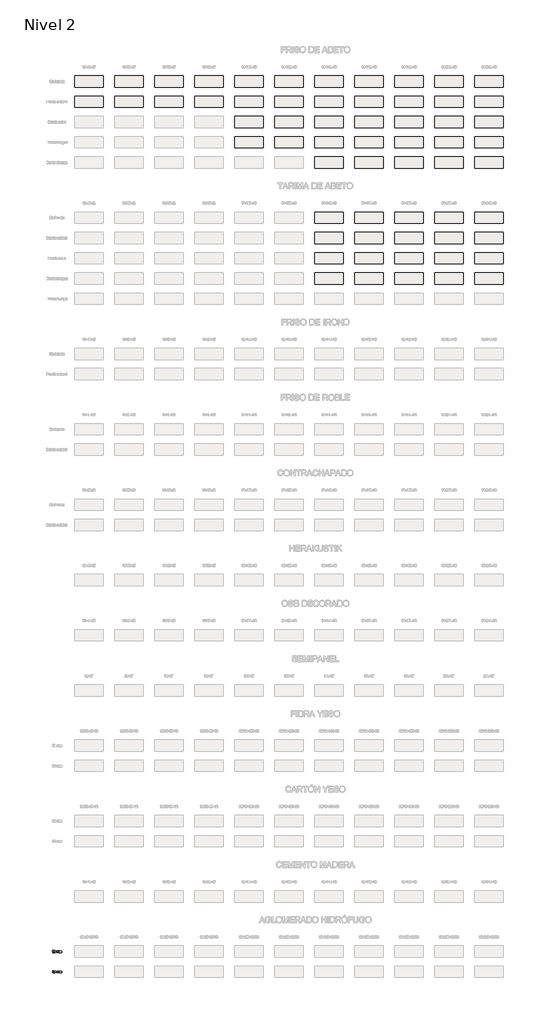
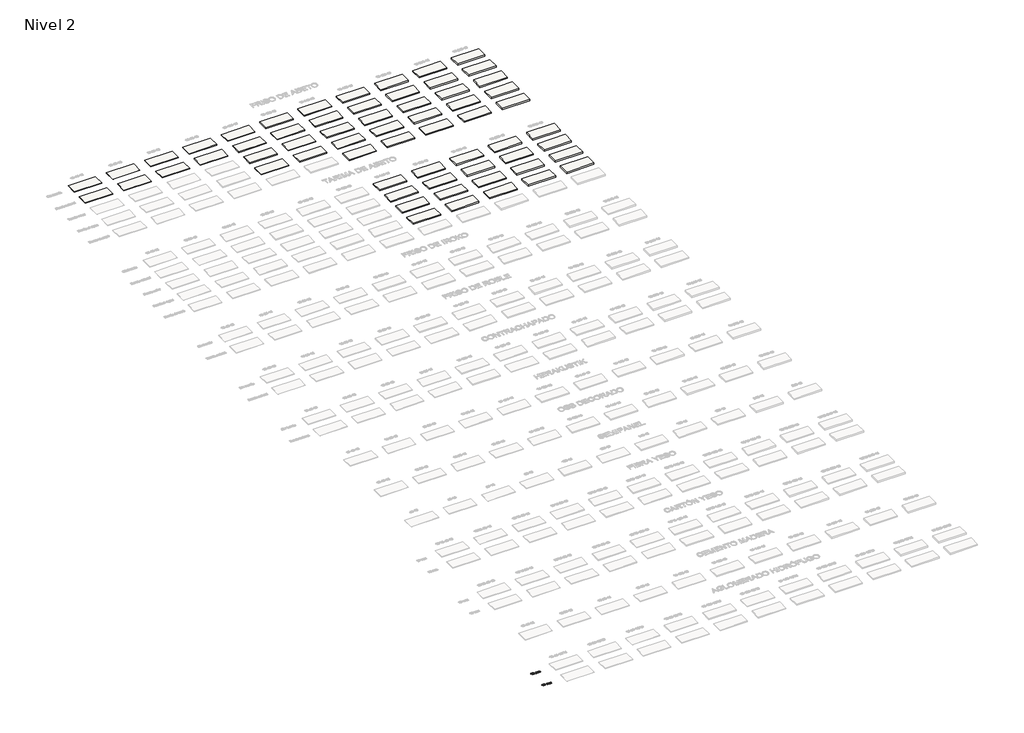
# One storey, part 3 of 51: 61 roofs, 2 proxies.
"""IFC4 building model written with IfcOpenShell, lengths in millimetres."""

from ifc_helpers import new_model, si_unit, frame, origin, place, context, project, spatial, polyline, outline, extrude, element, save

model = new_model("IFC4")

# Units and contexts
model_context = context("Model", 3, world=origin())
ifc_project = project(units=[si_unit("LENGTHUNIT", "METRE", prefix="MILLI")], contexts=[model_context])

# Site, building, storey
site = spatial("IfcSite", under=ifc_project)
building = spatial("IfcBuilding", under=site)
storey = spatial("IfcBuildingStorey", under=building, Name="Nivel 2", Elevation=3000.0)

# Proxies
placement = place(None, origin())
element("IfcBuildingElementProxy", 1, Name="Texto de modelo 1", ObjectType="Texto de modelo 1", at=placement, inside=storey, context=model_context, shape_type="SweptSolid", body=[
    extrude(outline(polyline([(-13715.0343234, -145288.9702671), (-13765.2624785, -145288.9702671), (-13765.2624785, -144975.8291128), (-13786.2317522, -144992.7884728), (-13812.8418832, -145009.7233073), (-13865.7187886, -145035.0826395), (-13865.7187886, -144987.6013367), (-13826.269576, -144966.1415536), (-13792.0933386, -144940.6105432), (-13765.1521139, -144913.4608519), (-13747.407939, -144887.1450265), (-13715.0343234, -144887.1450265), (-13715.0343234, -145288.9702671)])), frame((0.0, 0.0, 3000.0), z_axis=(0.0, 0.0, 1.0), x_axis=(1.0, 0.0, 0.0)), (0.0, 0.0, 1.0), 10.0),
    extrude(outline(polyline([(-13589.4639357, -145188.513957), (-13539.2357806, -145182.2354376), (-13530.6518674, -145210.7462922), (-13516.6723516, -145230.1581988), (-13497.6405897, -145241.3050233), (-13473.8999383, -145245.0206314), (-13452.5995708, -145242.6293985), (-13433.2367151, -145235.4556996), (-13417.1480092, -145224.2843497), (-13405.6700909, -145209.9001636), (-13389.2380285, -145166.2448335), (-13383.7933749, -145137.8443435), (-13381.9784904, -145107.9723255), (-13382.272796, -145098.162139), (-13399.6736144, -145119.4011928), (-13422.4455099, -145136.2256627), (-13448.9452763, -145147.1885462), (-13477.5297073, -145150.8428407), (-13501.3899204, -145148.6110232), (-13523.3310157, -145141.9155709), (-13543.3529933, -145130.7564837), (-13561.4558531, -145115.1337617), (-13576.4562415, -145095.8628765), (-13587.1708046, -145073.7593), (-13593.5995425, -145048.8230321), (-13595.7424551, -145021.0540728), (-13593.4953092, -144992.3592772), (-13586.7538717, -144966.6075375), (-13575.5181424, -144943.7988538), (-13559.7881214, -144923.9332261), (-13540.6735861, -144907.8383888), (-13519.2843138, -144896.3420764), (-13495.6203044, -144889.444289), (-13469.6815581, -144887.1450265), (-13432.2189082, -144892.3934763), (-13398.1162473, -144908.1388257), (-13369.5931299, -144933.5962598), (-13348.8691109, -144967.9809636), (-13336.2507584, -145015.5113174), (-13332.0446409, -145080.4057013), (-13336.2384957, -145149.2118972), (-13348.8200599, -145202.3953709), (-13369.6789691, -145242.3596183), (-13383.1710412, -145258.2858431), (-13398.7048585, -145271.5081351), (-13415.9677211, -145281.8946701), (-13434.6469294, -145289.3136237), (-13476.2543831, -145295.2487865), (-13498.8116807, -145293.4982814), (-13519.1984746, -145288.2467659), (-13537.4147648, -145279.4942401), (-13553.4605511, -145267.240704), (-13566.9311635, -145251.8172513), (-13577.4219317, -145233.5549759), (-13584.9328558, -145212.4538778), (-13589.4639357, -145188.513957)]), holes=[polyline([(-13382.272796, -145019.8768504), (-13387.6929241, -144985.8355031), (-13394.4680842, -144971.7578854), (-13403.9533083, -144959.6423051), (-13415.6826125, -144949.8995636), (-13429.1900131, -144942.9404625), (-13461.5391032, -144937.3731816), (-13479.1483881, -144938.8723007), (-13495.0899412, -144943.3696581), (-13509.3637626, -144950.8652538), (-13521.9698523, -144961.3590877), (-13532.2705482, -144974.2380232), (-13539.6281881, -144988.8889237), (-13544.042772, -145005.3117891), (-13545.5143, -145023.5066194), (-13539.9470192, -145054.5435971), (-13532.9879181, -145067.6616559), (-13523.2451766, -145079.179428), (-13511.1234648, -145088.5573532), (-13497.027453, -145095.2558712), (-13462.9125294, -145100.6146856), (-13430.8209566, -145095.2558712), (-13404.9833779, -145079.179428), (-13395.0474983, -145067.4347953), (-13387.9504415, -145053.6361548), (-13382.272796, -145019.8768504)])]), frame((0.0, 0.0, 3000.0), z_axis=(0.0, 0.0, 1.0), x_axis=(1.0, 0.0, 0.0)), (0.0, 0.0, 1.0), 10.0),
    extrude(outline(polyline([(-13118.5749819, -145288.9702671), (-13118.5749819, -144993.8798561), (-13068.3468268, -144993.8798561), (-13068.3468268, -145042.4402794), (-13053.2391395, -145020.1343678), (-13033.8149702, -145002.659973), (-13010.7365064, -144991.3659958), (-12984.6659356, -144987.6013367), (-12956.7314295, -144991.4395722), (-12934.3396787, -145002.9542786), (-12917.6133106, -145021.3851666), (-12906.6749527, -145045.9719466), (-12888.366692, -145020.4348048), (-12867.4832574, -145002.1939892), (-12844.0246489, -144991.2494998), (-12817.9908664, -144987.6013367), (-12797.8830496, -144989.1188499), (-12780.2339109, -144993.6713896), (-12765.0434502, -145001.2589558), (-12752.3116675, -145011.8815484), (-12742.2470292, -145025.6617948), (-12735.0580019, -145042.7223223), (-12730.7445855, -145063.0631309), (-12729.30678, -145086.6842207), (-12729.30678, -145288.9702671), (-12779.5349351, -145288.9702671), (-12779.5349351, -145108.2666311), (-12780.6998948, -145083.2138672), (-12784.1947737, -145066.3280837), (-12790.7430732, -145054.7643263), (-12801.0682946, -145045.677641), (-12814.3488346, -145039.7915291), (-12829.7630902, -145037.8294918), (-12856.9740951, -145042.8572124), (-12879.1573794, -145057.9403742), (-12887.7627524, -145069.5102629), (-12893.9094474, -145084.1090468), (-12898.8268034, -145122.3932997), (-12898.8268034, -145288.9702671), (-12949.0549585, -145288.9702671), (-12949.0549585, -145102.6748248), (-12951.9612263, -145074.2743348), (-12960.6800295, -145054.0162996), (-12976.0207087, -145041.8761937), (-12998.7926042, -145037.8294918), (-13018.1431972, -145040.5272931), (-13035.9732112, -145048.620697), (-13050.688491, -145061.9134997), (-13060.6948813, -145080.2094976), (-13066.4338404, -145105.5933553), (-13068.3468268, -145140.1497374), (-13068.3468268, -145288.9702671), (-13118.5749819, -145288.9702671)])), frame((0.0, 0.0, 3000.0), z_axis=(0.0, 0.0, 1.0), x_axis=(1.0, 0.0, 0.0)), (0.0, 0.0, 1.0), 10.0),
    extrude(outline(polyline([(-12653.9645474, -145288.9702671), (-12653.9645474, -144993.8798561), (-12603.7363924, -144993.8798561), (-12603.7363924, -145042.4402794), (-12588.6287051, -145020.1343678), (-12569.2045357, -145002.659973), (-12546.1260719, -144991.3659958), (-12520.0555012, -144987.6013367), (-12492.120995, -144991.4395722), (-12469.7292443, -145002.9542786), (-12453.0028762, -145021.3851666), (-12442.0645182, -145045.9719466), (-12423.7562576, -145020.4348048), (-12402.872823, -145002.1939892), (-12379.4142144, -144991.2494998), (-12353.3804319, -144987.6013367), (-12333.2726152, -144989.1188499), (-12315.6234765, -144993.6713896), (-12300.4330158, -145001.2589558), (-12287.701233, -145011.8815484), (-12277.6365948, -145025.6617948), (-12270.4475675, -145042.7223223), (-12266.1341511, -145063.0631309), (-12264.6963456, -145086.6842207), (-12264.6963456, -145288.9702671), (-12314.9245007, -145288.9702671), (-12314.9245007, -145108.2666311), (-12316.0894603, -145083.2138672), (-12319.5843393, -145066.3280837), (-12326.1326388, -145054.7643263), (-12336.4578601, -145045.677641), (-12349.7384002, -145039.7915291), (-12365.1526558, -145037.8294918), (-12392.3636607, -145042.8572124), (-12414.546945, -145057.9403742), (-12423.152318, -145069.5102629), (-12429.299013, -145084.1090468), (-12434.216369, -145122.3932997), (-12434.216369, -145288.9702671), (-12484.4445241, -145288.9702671), (-12484.4445241, -145102.6748248), (-12487.3507918, -145074.2743348), (-12496.0695951, -145054.0162996), (-12511.4102743, -145041.8761937), (-12534.1821698, -145037.8294918), (-12553.5327628, -145040.5272931), (-12571.3627768, -145048.620697), (-12586.0780566, -145061.9134997), (-12596.0844469, -145080.2094976), (-12601.823406, -145105.5933553), (-12603.7363924, -145140.1497374), (-12603.7363924, -145288.9702671), (-12653.9645474, -145288.9702671)])), frame((0.0, 0.0, 3000.0), z_axis=(0.0, 0.0, 1.0), x_axis=(1.0, 0.0, 0.0)), (0.0, 0.0, 1.0), 10.0),
])
element("IfcBuildingElementProxy", 2, Name="Texto de modelo 1", ObjectType="Texto de modelo 1", at=placement, inside=storey, context=model_context, shape_type="SweptSolid", body=[
    extrude(outline(polyline([(-13715.0343234, -141888.9702671), (-13765.2624785, -141888.9702671), (-13765.2624785, -141575.8291128), (-13786.2317522, -141592.7884728), (-13812.8418832, -141609.7233073), (-13865.7187886, -141635.0826395), (-13865.7187886, -141587.6013367), (-13826.269576, -141566.1415536), (-13792.0933386, -141540.6105432), (-13765.1521139, -141513.4608519), (-13747.407939, -141487.1450265), (-13715.0343234, -141487.1450265), (-13715.0343234, -141888.9702671)])), frame((0.0, 0.0, 3000.0), z_axis=(0.0, 0.0, 1.0), x_axis=(1.0, 0.0, 0.0)), (0.0, 0.0, 1.0), 10.0),
    extrude(outline(polyline([(-13338.3231603, -141593.8798561), (-13388.5513154, -141600.1583755), (-13396.6447193, -141575.2650271), (-13407.5830773, -141558.2688789), (-13430.3672355, -141542.5971059), (-13457.9093342, -141537.3731816), (-13481.2575782, -141540.4143394), (-13503.232396, -141549.5378129), (-13522.1047424, -141568.7535158), (-13537.518998, -141595.2042313), (-13547.9300584, -141632.6178302), (-13551.7928194, -141684.7221834), (-13531.6451488, -141661.2145239), (-13507.4998272, -141644.6475714), (-13480.7057552, -141634.8251221), (-13452.6118335, -141631.5509724), (-13428.4787746, -141633.7889212), (-13406.2096512, -141640.5027676), (-13385.8044632, -141651.6925116), (-13367.2632106, -141667.3581532), (-13351.8550864, -141686.5677248), (-13340.8492834, -141708.3892584), (-13334.2458015, -141732.8227543), (-13332.0446409, -141759.8682123), (-13336.1894448, -141795.8348087), (-13348.6238562, -141829.1771802), (-13368.3178057, -141857.4550429), (-13394.2412236, -141878.2281129), (-13425.2168876, -141890.9936181), (-13460.0675753, -141895.2487865), (-13490.010104, -141892.4283579), (-13517.0524963, -141883.967072), (-13541.1947523, -141869.8649289), (-13562.4368718, -141850.1219284), (-13579.7549167, -141823.9042049), (-13592.1249488, -141790.3778924), (-13599.5469681, -141749.542991), (-13602.0209745, -141701.3995005), (-13599.2741222, -141647.4250805), (-13591.0335655, -141601.3601233), (-13577.2993044, -141563.204629), (-13558.0713388, -141532.9585977), (-13537.2308238, -141512.9151603), (-13513.067108, -141498.5984193), (-13485.5801916, -141490.0083747), (-13454.7700745, -141487.1450265), (-13431.6364284, -141488.9169915), (-13410.6978115, -141494.2328863), (-13391.9542239, -141503.092711), (-13375.4056654, -141515.4964656), (-13361.499726, -141531.0272172), (-13350.6839954, -141549.2680328), (-13342.9584735, -141570.2189124), (-13338.3231603, -141593.8798561)]), holes=[polyline([(-13551.7928194, -141759.0833974), (-13548.8865516, -141781.3402581), (-13540.1677483, -141802.5915747), (-13526.6296909, -141820.8630471), (-13509.2656608, -141834.1803753), (-13488.3086498, -141842.3105674), (-13463.9916499, -141845.0206314), (-13430.8454821, -141839.4042997), (-13416.9303456, -141832.3838849), (-13404.7871741, -141822.5553043), (-13394.9371337, -141810.3170966), (-13387.9013905, -141796.0678006), (-13382.272796, -141761.535944), (-13387.8278141, -141728.3897762), (-13394.7715868, -141714.7689454), (-13404.4928685, -141703.1162832), (-13416.6728283, -141693.7812775), (-13430.9926349, -141687.1134164), (-13466.0517891, -141681.7791275), (-13499.1489059, -141687.1134164), (-13526.8258947, -141703.1162832), (-13537.7489242, -141714.6156612), (-13545.5510882, -141727.7766396), (-13550.2323866, -141742.5992183), (-13551.7928194, -141759.0833974)])]), frame((0.0, 0.0, 3000.0), z_axis=(0.0, 0.0, 1.0), x_axis=(1.0, 0.0, 0.0)), (0.0, 0.0, 1.0), 10.0),
    extrude(outline(polyline([(-13118.5749819, -141888.9702671), (-13118.5749819, -141593.8798561), (-13068.3468268, -141593.8798561), (-13068.3468268, -141642.4402794), (-13053.2391395, -141620.1343678), (-13033.8149702, -141602.659973), (-13010.7365064, -141591.3659958), (-12984.6659356, -141587.6013367), (-12956.7314295, -141591.4395722), (-12934.3396787, -141602.9542786), (-12917.6133106, -141621.3851666), (-12906.6749527, -141645.9719466), (-12888.366692, -141620.4348048), (-12867.4832574, -141602.1939892), (-12844.0246489, -141591.2494998), (-12817.9908664, -141587.6013367), (-12797.8830496, -141589.1188499), (-12780.2339109, -141593.6713896), (-12765.0434502, -141601.2589558), (-12752.3116675, -141611.8815484), (-12742.2470292, -141625.6617948), (-12735.0580019, -141642.7223223), (-12730.7445855, -141663.0631309), (-12729.30678, -141686.6842207), (-12729.30678, -141888.9702671), (-12779.5349351, -141888.9702671), (-12779.5349351, -141708.2666311), (-12780.6998948, -141683.2138672), (-12784.1947737, -141666.3280837), (-12790.7430732, -141654.7643263), (-12801.0682946, -141645.677641), (-12814.3488346, -141639.7915291), (-12829.7630902, -141637.8294918), (-12856.9740951, -141642.8572124), (-12879.1573794, -141657.9403742), (-12887.7627524, -141669.5102629), (-12893.9094474, -141684.1090468), (-12898.8268034, -141722.3932997), (-12898.8268034, -141888.9702671), (-12949.0549585, -141888.9702671), (-12949.0549585, -141702.6748248), (-12951.9612263, -141674.2743348), (-12960.6800295, -141654.0162996), (-12976.0207087, -141641.8761937), (-12998.7926042, -141637.8294918), (-13018.1431972, -141640.5272931), (-13035.9732112, -141648.620697), (-13050.688491, -141661.9134997), (-13060.6948813, -141680.2094976), (-13066.4338404, -141705.5933553), (-13068.3468268, -141740.1497374), (-13068.3468268, -141888.9702671), (-13118.5749819, -141888.9702671)])), frame((0.0, 0.0, 3000.0), z_axis=(0.0, 0.0, 1.0), x_axis=(1.0, 0.0, 0.0)), (0.0, 0.0, 1.0), 10.0),
    extrude(outline(polyline([(-12653.9645474, -141888.9702671), (-12653.9645474, -141593.8798561), (-12603.7363924, -141593.8798561), (-12603.7363924, -141642.4402794), (-12588.6287051, -141620.1343678), (-12569.2045357, -141602.659973), (-12546.1260719, -141591.3659958), (-12520.0555012, -141587.6013367), (-12492.120995, -141591.4395722), (-12469.7292442, -141602.9542786), (-12453.0028762, -141621.3851666), (-12442.0645182, -141645.9719466), (-12423.7562576, -141620.4348048), (-12402.872823, -141602.1939892), (-12379.4142144, -141591.2494998), (-12353.3804319, -141587.6013367), (-12333.2726152, -141589.1188499), (-12315.6234765, -141593.6713896), (-12300.4330158, -141601.2589558), (-12287.701233, -141611.8815484), (-12277.6365948, -141625.6617948), (-12270.4475675, -141642.7223223), (-12266.1341511, -141663.0631309), (-12264.6963456, -141686.6842207), (-12264.6963456, -141888.9702671), (-12314.9245007, -141888.9702671), (-12314.9245007, -141708.2666311), (-12316.0894603, -141683.2138672), (-12319.5843393, -141666.3280837), (-12326.1326388, -141654.7643263), (-12336.4578601, -141645.677641), (-12349.7384002, -141639.7915291), (-12365.1526558, -141637.8294918), (-12392.3636607, -141642.8572124), (-12414.546945, -141657.9403742), (-12423.152318, -141669.5102629), (-12429.299013, -141684.1090468), (-12434.216369, -141722.3932997), (-12434.216369, -141888.9702671), (-12484.4445241, -141888.9702671), (-12484.4445241, -141702.6748248), (-12487.3507918, -141674.2743348), (-12496.0695951, -141654.0162996), (-12511.4102743, -141641.8761937), (-12534.1821698, -141637.8294918), (-12553.5327628, -141640.5272931), (-12571.3627768, -141648.620697), (-12586.0780566, -141661.9134997), (-12596.0844469, -141680.2094976), (-12601.823406, -141705.5933553), (-12603.7363924, -141740.1497374), (-12603.7363924, -141888.9702671), (-12653.9645474, -141888.9702671)])), frame((0.0, 0.0, 3000.0), z_axis=(0.0, 0.0, 1.0), x_axis=(1.0, 0.0, 0.0)), (0.0, 0.0, 1.0), 10.0),
])

# Roofs
element("IfcRoof", 3, at=placement, inside=storey, context=model_context, shape_type="SweptSolid", body=[
    extrude(outline(polyline([(-5297.2931389, 5319.2174648), (-5297.2931389, 3419.2174648), (-10097.2931389, 3419.2174648), (-10097.2931389, 5319.2174648), (-5297.2931389, 5319.2174648)])), frame((0.0, 0.0, 3000.0), z_axis=(0.0, 0.0, 1.0), x_axis=(1.0, 0.0, 0.0)), (0.0, 0.0, 1.0), 66.0),
])
element("IfcRoof", 4, at=placement, inside=storey, context=model_context, shape_type="SweptSolid", body=[
    extrude(outline(polyline([(-5297.2931389, 1919.2174648), (-5297.2931389, 19.2174648), (-10097.2931389, 19.2174648), (-10097.2931389, 1919.2174648), (-5297.2931389, 1919.2174648)])), frame((0.0, 0.0, 3000.0), z_axis=(0.0, 0.0, 1.0), x_axis=(1.0, 0.0, 0.0)), (0.0, 0.0, 1.0), 66.0),
])
element("IfcRoof", 5, at=placement, inside=storey, context=model_context, shape_type="SweptSolid", body=[
    extrude(outline(polyline([(1417.6473959, 5319.2174648), (1417.6473959, 3419.2174648), (-3382.3526041, 3419.2174648), (-3382.3526041, 5319.2174648), (1417.6473959, 5319.2174648)])), frame((0.0, 0.0, 3000.0), z_axis=(0.0, 0.0, 1.0), x_axis=(1.0, 0.0, 0.0)), (0.0, 0.0, 1.0), 76.0),
])
element("IfcRoof", 6, at=placement, inside=storey, context=model_context, shape_type="SweptSolid", body=[
    extrude(outline(polyline([(8132.5879307, 5319.2174648), (8132.5879307, 3419.2174648), (3332.5879307, 3419.2174648), (3332.5879307, 5319.2174648), (8132.5879307, 5319.2174648)])), frame((0.0, 0.0, 3000.0), z_axis=(0.0, 0.0, 1.0), x_axis=(1.0, 0.0, 0.0)), (0.0, 0.0, 1.0), 86.0),
])
element("IfcRoof", 7, at=placement, inside=storey, context=model_context, shape_type="SweptSolid", body=[
    extrude(outline(polyline([(14847.5284656, 5319.2174648), (14847.5284656, 3419.2174648), (10047.5284656, 3419.2174648), (10047.5284656, 5319.2174648), (14847.5284656, 5319.2174648)])), frame((0.0, 0.0, 3000.0), z_axis=(0.0, 0.0, 1.0), x_axis=(1.0, 0.0, 0.0)), (0.0, 0.0, 1.0), 106.0),
])
element("IfcRoof", 8, at=placement, inside=storey, context=model_context, shape_type="SweptSolid", body=[
    extrude(outline(polyline([(21562.4690004, 5319.2174648), (21562.4690004, 3419.2174648), (16762.4690004, 3419.2174648), (16762.4690004, 5319.2174648), (21562.4690004, 5319.2174648)])), frame((0.0, 0.0, 3000.0), z_axis=(0.0, 0.0, 1.0), x_axis=(1.0, 0.0, 0.0)), (0.0, 0.0, 1.0), 126.0),
])
element("IfcRoof", 9, at=placement, inside=storey, context=model_context, shape_type="SweptSolid", body=[
    extrude(outline(polyline([(28277.4095352, 5319.2174648), (28277.4095352, 3419.2174648), (23477.4095352, 3419.2174648), (23477.4095352, 5319.2174648), (28277.4095352, 5319.2174648)])), frame((0.0, 0.0, 3000.0), z_axis=(0.0, 0.0, 1.0), x_axis=(1.0, 0.0, 0.0)), (0.0, 0.0, 1.0), 146.0),
])
element("IfcRoof", 10, at=placement, inside=storey, context=model_context, shape_type="SweptSolid", body=[
    extrude(outline(polyline([(34992.35007, 5319.2174648), (34992.35007, 3419.2174648), (30192.35007, 3419.2174648), (30192.35007, 5319.2174648), (34992.35007, 5319.2174648)])), frame((0.0, 0.0, 3000.0), z_axis=(0.0, 0.0, 1.0), x_axis=(1.0, 0.0, 0.0)), (0.0, 0.0, 1.0), 166.0),
])
element("IfcRoof", 11, at=placement, inside=storey, context=model_context, shape_type="SweptSolid", body=[
    extrude(outline(polyline([(41707.2906049, 5319.2174648), (41707.2906049, 3419.2174648), (36907.2906049, 3419.2174648), (36907.2906049, 5319.2174648), (41707.2906049, 5319.2174648)])), frame((0.0, 0.0, 3000.0), z_axis=(0.0, 0.0, 1.0), x_axis=(1.0, 0.0, 0.0)), (0.0, 0.0, 1.0), 186.0),
])
element("IfcRoof", 12, at=placement, inside=storey, context=model_context, shape_type="SweptSolid", body=[
    extrude(outline(polyline([(48422.2311397, 5319.2174648), (48422.2311397, 3419.2174648), (43622.2311397, 3419.2174648), (43622.2311397, 5319.2174648), (48422.2311397, 5319.2174648)])), frame((0.0, 0.0, 3000.0), z_axis=(0.0, 0.0, 1.0), x_axis=(1.0, 0.0, 0.0)), (0.0, 0.0, 1.0), 206.0),
])
element("IfcRoof", 13, at=placement, inside=storey, context=model_context, shape_type="SweptSolid", body=[
    extrude(outline(polyline([(55137.1716745, 5319.2174648), (55137.1716745, 3419.2174648), (50337.1716745, 3419.2174648), (50337.1716745, 5319.2174648), (55137.1716745, 5319.2174648)])), frame((0.0, 0.0, 3000.0), z_axis=(0.0, 0.0, 1.0), x_axis=(1.0, 0.0, 0.0)), (0.0, 0.0, 1.0), 226.0),
])
element("IfcRoof", 14, at=placement, inside=storey, context=model_context, shape_type="SweptSolid", body=[
    extrude(outline(polyline([(61852.1122093, 5319.2174648), (61852.1122093, 3419.2174648), (57052.1122093, 3419.2174648), (57052.1122093, 5319.2174648), (61852.1122093, 5319.2174648)])), frame((0.0, 0.0, 3000.0), z_axis=(0.0, 0.0, 1.0), x_axis=(1.0, 0.0, 0.0)), (0.0, 0.0, 1.0), 266.0),
])
element("IfcRoof", 15, at=placement, inside=storey, context=model_context, shape_type="SweptSolid", body=[
    extrude(outline(polyline([(1417.6473959, 1919.2174648), (1417.6473959, 19.2174648), (-3382.3526041, 19.2174648), (-3382.3526041, 1919.2174648), (1417.6473959, 1919.2174648)])), frame((0.0, 0.0, 3000.0), z_axis=(0.0, 0.0, 1.0), x_axis=(1.0, 0.0, 0.0)), (0.0, 0.0, 1.0), 76.0),
])
element("IfcRoof", 16, at=placement, inside=storey, context=model_context, shape_type="SweptSolid", body=[
    extrude(outline(polyline([(8132.5879307, 1919.2174648), (8132.5879307, 19.2174648), (3332.5879307, 19.2174648), (3332.5879307, 1919.2174648), (8132.5879307, 1919.2174648)])), frame((0.0, 0.0, 3000.0), z_axis=(0.0, 0.0, 1.0), x_axis=(1.0, 0.0, 0.0)), (0.0, 0.0, 1.0), 86.0),
])
element("IfcRoof", 17, at=placement, inside=storey, context=model_context, shape_type="SweptSolid", body=[
    extrude(outline(polyline([(14847.5284656, 1919.2174648), (14847.5284656, 19.2174648), (10047.5284656, 19.2174648), (10047.5284656, 1919.2174648), (14847.5284656, 1919.2174648)])), frame((0.0, 0.0, 3000.0), z_axis=(0.0, 0.0, 1.0), x_axis=(1.0, 0.0, 0.0)), (0.0, 0.0, 1.0), 106.0),
])
element("IfcRoof", 18, at=placement, inside=storey, context=model_context, shape_type="SweptSolid", body=[
    extrude(outline(polyline([(21562.4690004, 1919.2174648), (21562.4690004, 19.2174648), (16762.4690004, 19.2174648), (16762.4690004, 1919.2174648), (21562.4690004, 1919.2174648)])), frame((0.0, 0.0, 3000.0), z_axis=(0.0, 0.0, 1.0), x_axis=(1.0, 0.0, 0.0)), (0.0, 0.0, 1.0), 126.0),
])
element("IfcRoof", 19, at=placement, inside=storey, context=model_context, shape_type="SweptSolid", body=[
    extrude(outline(polyline([(28277.4095352, 1919.2174648), (28277.4095352, 19.2174648), (23477.4095352, 19.2174648), (23477.4095352, 1919.2174648), (28277.4095352, 1919.2174648)])), frame((0.0, 0.0, 3000.0), z_axis=(0.0, 0.0, 1.0), x_axis=(1.0, 0.0, 0.0)), (0.0, 0.0, 1.0), 146.0),
])
element("IfcRoof", 20, at=placement, inside=storey, context=model_context, shape_type="SweptSolid", body=[
    extrude(outline(polyline([(34992.35007, 1919.2174648), (34992.35007, 19.2174648), (30192.35007, 19.2174648), (30192.35007, 1919.2174648), (34992.35007, 1919.2174648)])), frame((0.0, 0.0, 3000.0), z_axis=(0.0, 0.0, 1.0), x_axis=(1.0, 0.0, 0.0)), (0.0, 0.0, 1.0), 166.0),
])
element("IfcRoof", 21, at=placement, inside=storey, context=model_context, shape_type="SweptSolid", body=[
    extrude(outline(polyline([(41707.2906049, 1919.2174648), (41707.2906049, 19.2174648), (36907.2906049, 19.2174648), (36907.2906049, 1919.2174648), (41707.2906049, 1919.2174648)])), frame((0.0, 0.0, 3000.0), z_axis=(0.0, 0.0, 1.0), x_axis=(1.0, 0.0, 0.0)), (0.0, 0.0, 1.0), 186.0),
])
element("IfcRoof", 22, at=placement, inside=storey, context=model_context, shape_type="SweptSolid", body=[
    extrude(outline(polyline([(48422.2311397, 1919.2174648), (48422.2311397, 19.2174648), (43622.2311397, 19.2174648), (43622.2311397, 1919.2174648), (48422.2311397, 1919.2174648)])), frame((0.0, 0.0, 3000.0), z_axis=(0.0, 0.0, 1.0), x_axis=(1.0, 0.0, 0.0)), (0.0, 0.0, 1.0), 206.0),
])
element("IfcRoof", 23, at=placement, inside=storey, context=model_context, shape_type="SweptSolid", body=[
    extrude(outline(polyline([(55137.1716745, 1919.2174648), (55137.1716745, 19.2174648), (50337.1716745, 19.2174648), (50337.1716745, 1919.2174648), (55137.1716745, 1919.2174648)])), frame((0.0, 0.0, 3000.0), z_axis=(0.0, 0.0, 1.0), x_axis=(1.0, 0.0, 0.0)), (0.0, 0.0, 1.0), 226.0),
])
element("IfcRoof", 24, at=placement, inside=storey, context=model_context, shape_type="SweptSolid", body=[
    extrude(outline(polyline([(61852.1122093, 1919.2174648), (61852.1122093, 19.2174648), (57052.1122093, 19.2174648), (57052.1122093, 1919.2174648), (61852.1122093, 1919.2174648)])), frame((0.0, 0.0, 3000.0), z_axis=(0.0, 0.0, 1.0), x_axis=(1.0, 0.0, 0.0)), (0.0, 0.0, 1.0), 266.0),
])
element("IfcRoof", 25, at=placement, inside=storey, context=model_context, shape_type="SweptSolid", body=[
    extrude(outline(polyline([(21562.4690004, -1480.7825352), (21562.4690004, -3380.7825352), (16762.4690004, -3380.7825352), (16762.4690004, -1480.7825352), (21562.4690004, -1480.7825352)])), frame((0.0, 0.0, 3000.0), z_axis=(0.0, 0.0, 1.0), x_axis=(1.0, 0.0, 0.0)), (0.0, 0.0, 1.0), 126.0),
])
element("IfcRoof", 26, at=placement, inside=storey, context=model_context, shape_type="SweptSolid", body=[
    extrude(outline(polyline([(28277.4095352, -1480.7825352), (28277.4095352, -3380.7825352), (23477.4095352, -3380.7825352), (23477.4095352, -1480.7825352), (28277.4095352, -1480.7825352)])), frame((0.0, 0.0, 3000.0), z_axis=(0.0, 0.0, 1.0), x_axis=(1.0, 0.0, 0.0)), (0.0, 0.0, 1.0), 146.0),
])
element("IfcRoof", 27, at=placement, inside=storey, context=model_context, shape_type="SweptSolid", body=[
    extrude(outline(polyline([(34992.35007, -1480.7825352), (34992.35007, -3380.7825352), (30192.35007, -3380.7825352), (30192.35007, -1480.7825352), (34992.35007, -1480.7825352)])), frame((0.0, 0.0, 3000.0), z_axis=(0.0, 0.0, 1.0), x_axis=(1.0, 0.0, 0.0)), (0.0, 0.0, 1.0), 166.0),
])
element("IfcRoof", 28, at=placement, inside=storey, context=model_context, shape_type="SweptSolid", body=[
    extrude(outline(polyline([(41707.2906049, -1480.7825352), (41707.2906049, -3380.7825352), (36907.2906049, -3380.7825352), (36907.2906049, -1480.7825352), (41707.2906049, -1480.7825352)])), frame((0.0, 0.0, 3000.0), z_axis=(0.0, 0.0, 1.0), x_axis=(1.0, 0.0, 0.0)), (0.0, 0.0, 1.0), 186.0),
])
element("IfcRoof", 29, at=placement, inside=storey, context=model_context, shape_type="SweptSolid", body=[
    extrude(outline(polyline([(48422.2311397, -1480.7825352), (48422.2311397, -3380.7825352), (43622.2311397, -3380.7825352), (43622.2311397, -1480.7825352), (48422.2311397, -1480.7825352)])), frame((0.0, 0.0, 3000.0), z_axis=(0.0, 0.0, 1.0), x_axis=(1.0, 0.0, 0.0)), (0.0, 0.0, 1.0), 206.0),
])
element("IfcRoof", 30, at=placement, inside=storey, context=model_context, shape_type="SweptSolid", body=[
    extrude(outline(polyline([(55137.1716745, -1480.7825352), (55137.1716745, -3380.7825352), (50337.1716745, -3380.7825352), (50337.1716745, -1480.7825352), (55137.1716745, -1480.7825352)])), frame((0.0, 0.0, 3000.0), z_axis=(0.0, 0.0, 1.0), x_axis=(1.0, 0.0, 0.0)), (0.0, 0.0, 1.0), 226.0),
])
element("IfcRoof", 31, at=placement, inside=storey, context=model_context, shape_type="SweptSolid", body=[
    extrude(outline(polyline([(61852.1122093, -1480.7825352), (61852.1122093, -3380.7825352), (57052.1122093, -3380.7825352), (57052.1122093, -1480.7825352), (61852.1122093, -1480.7825352)])), frame((0.0, 0.0, 3000.0), z_axis=(0.0, 0.0, 1.0), x_axis=(1.0, 0.0, 0.0)), (0.0, 0.0, 1.0), 266.0),
])
element("IfcRoof", 32, at=placement, inside=storey, context=model_context, shape_type="SweptSolid", body=[
    extrude(outline(polyline([(21562.4690004, -4880.7825352), (21562.4690004, -6780.7825352), (16762.4690004, -6780.7825352), (16762.4690004, -4880.7825352), (21562.4690004, -4880.7825352)])), frame((0.0, 0.0, 3000.0), z_axis=(0.0, 0.0, 1.0), x_axis=(1.0, 0.0, 0.0)), (0.0, 0.0, 1.0), 126.0),
])
element("IfcRoof", 33, at=placement, inside=storey, context=model_context, shape_type="SweptSolid", body=[
    extrude(outline(polyline([(28277.4095352, -4880.7825352), (28277.4095352, -6780.7825352), (23477.4095352, -6780.7825352), (23477.4095352, -4880.7825352), (28277.4095352, -4880.7825352)])), frame((0.0, 0.0, 3000.0), z_axis=(0.0, 0.0, 1.0), x_axis=(1.0, 0.0, 0.0)), (0.0, 0.0, 1.0), 146.0),
])
element("IfcRoof", 34, at=placement, inside=storey, context=model_context, shape_type="SweptSolid", body=[
    extrude(outline(polyline([(34992.35007, -4880.7825352), (34992.35007, -6780.7825352), (30192.35007, -6780.7825352), (30192.35007, -4880.7825352), (34992.35007, -4880.7825352)])), frame((0.0, 0.0, 3000.0), z_axis=(0.0, 0.0, 1.0), x_axis=(1.0, 0.0, 0.0)), (0.0, 0.0, 1.0), 166.0),
])
element("IfcRoof", 35, at=placement, inside=storey, context=model_context, shape_type="SweptSolid", body=[
    extrude(outline(polyline([(41707.2906049, -4880.7825352), (41707.2906049, -6780.7825352), (36907.2906049, -6780.7825352), (36907.2906049, -4880.7825352), (41707.2906049, -4880.7825352)])), frame((0.0, 0.0, 3000.0), z_axis=(0.0, 0.0, 1.0), x_axis=(1.0, 0.0, 0.0)), (0.0, 0.0, 1.0), 186.0),
])
element("IfcRoof", 36, at=placement, inside=storey, context=model_context, shape_type="SweptSolid", body=[
    extrude(outline(polyline([(48422.2311397, -4880.7825352), (48422.2311397, -6780.7825352), (43622.2311397, -6780.7825352), (43622.2311397, -4880.7825352), (48422.2311397, -4880.7825352)])), frame((0.0, 0.0, 3000.0), z_axis=(0.0, 0.0, 1.0), x_axis=(1.0, 0.0, 0.0)), (0.0, 0.0, 1.0), 206.0),
])
element("IfcRoof", 37, at=placement, inside=storey, context=model_context, shape_type="SweptSolid", body=[
    extrude(outline(polyline([(55137.1716745, -4880.7825352), (55137.1716745, -6780.7825352), (50337.1716745, -6780.7825352), (50337.1716745, -4880.7825352), (55137.1716745, -4880.7825352)])), frame((0.0, 0.0, 3000.0), z_axis=(0.0, 0.0, 1.0), x_axis=(1.0, 0.0, 0.0)), (0.0, 0.0, 1.0), 226.0),
])
element("IfcRoof", 38, at=placement, inside=storey, context=model_context, shape_type="SweptSolid", body=[
    extrude(outline(polyline([(61852.1122093, -4880.7825352), (61852.1122093, -6780.7825352), (57052.1122093, -6780.7825352), (57052.1122093, -4880.7825352), (61852.1122093, -4880.7825352)])), frame((0.0, 0.0, 3000.0), z_axis=(0.0, 0.0, 1.0), x_axis=(1.0, 0.0, 0.0)), (0.0, 0.0, 1.0), 266.0),
])
element("IfcRoof", 39, at=placement, inside=storey, context=model_context, shape_type="SweptSolid", body=[
    extrude(outline(polyline([(34992.35007, -8284.7825352), (34992.35007, -10184.7825352), (30192.35007, -10184.7825352), (30192.35007, -8284.7825352), (34992.35007, -8284.7825352)])), frame((0.0, 0.0, 3000.0), z_axis=(0.0, 0.0, 1.0), x_axis=(1.0, 0.0, 0.0)), (0.0, 0.0, 1.0), 166.0),
])
element("IfcRoof", 40, at=placement, inside=storey, context=model_context, shape_type="SweptSolid", body=[
    extrude(outline(polyline([(41707.2906049, -8284.7825352), (41707.2906049, -10184.7825352), (36907.2906049, -10184.7825352), (36907.2906049, -8284.7825352), (41707.2906049, -8284.7825352)])), frame((0.0, 0.0, 3000.0), z_axis=(0.0, 0.0, 1.0), x_axis=(1.0, 0.0, 0.0)), (0.0, 0.0, 1.0), 186.0),
])
element("IfcRoof", 41, at=placement, inside=storey, context=model_context, shape_type="SweptSolid", body=[
    extrude(outline(polyline([(48422.2311397, -8284.7825352), (48422.2311397, -10184.7825352), (43622.2311397, -10184.7825352), (43622.2311397, -8284.7825352), (48422.2311397, -8284.7825352)])), frame((0.0, 0.0, 3000.0), z_axis=(0.0, 0.0, 1.0), x_axis=(1.0, 0.0, 0.0)), (0.0, 0.0, 1.0), 206.0),
])
element("IfcRoof", 42, at=placement, inside=storey, context=model_context, shape_type="SweptSolid", body=[
    extrude(outline(polyline([(55137.1716745, -8284.7825352), (55137.1716745, -10184.7825352), (50337.1716745, -10184.7825352), (50337.1716745, -8284.7825352), (55137.1716745, -8284.7825352)])), frame((0.0, 0.0, 3000.0), z_axis=(0.0, 0.0, 1.0), x_axis=(1.0, 0.0, 0.0)), (0.0, 0.0, 1.0), 226.0),
])
element("IfcRoof", 43, at=placement, inside=storey, context=model_context, shape_type="SweptSolid", body=[
    extrude(outline(polyline([(61852.1122093, -8284.7825352), (61852.1122093, -10184.7825352), (57052.1122093, -10184.7825352), (57052.1122093, -8284.7825352), (61852.1122093, -8284.7825352)])), frame((0.0, 0.0, 3000.0), z_axis=(0.0, 0.0, 1.0), x_axis=(1.0, 0.0, 0.0)), (0.0, 0.0, 1.0), 266.0),
])
element("IfcRoof", 44, at=placement, inside=storey, context=model_context, shape_type="SweptSolid", body=[
    extrude(outline(polyline([(34992.35007, -17547.1632381), (34992.35007, -19447.1632381), (30192.35007, -19447.1632381), (30192.35007, -17547.1632381), (34992.35007, -17547.1632381)])), frame((0.0, 0.0, 3000.0), z_axis=(0.0, 0.0, 1.0), x_axis=(1.0, 0.0, 0.0)), (0.0, 0.0, 1.0), 177.0),
])
element("IfcRoof", 45, at=placement, inside=storey, context=model_context, shape_type="SweptSolid", body=[
    extrude(outline(polyline([(41707.2906049, -17547.1632381), (41707.2906049, -19447.1632381), (36907.2906049, -19447.1632381), (36907.2906049, -17547.1632381), (41707.2906049, -17547.1632381)])), frame((0.0, 0.0, 3000.0), z_axis=(0.0, 0.0, 1.0), x_axis=(1.0, 0.0, 0.0)), (0.0, 0.0, 1.0), 197.0),
])
element("IfcRoof", 46, at=placement, inside=storey, context=model_context, shape_type="SweptSolid", body=[
    extrude(outline(polyline([(48422.2311397, -17547.1632381), (48422.2311397, -19447.1632381), (43622.2311397, -19447.1632381), (43622.2311397, -17547.1632381), (48422.2311397, -17547.1632381)])), frame((0.0, 0.0, 3000.0), z_axis=(0.0, 0.0, 1.0), x_axis=(1.0, 0.0, 0.0)), (0.0, 0.0, 1.0), 217.0),
])
element("IfcRoof", 47, at=placement, inside=storey, context=model_context, shape_type="SweptSolid", body=[
    extrude(outline(polyline([(55137.1716745, -17547.1632381), (55137.1716745, -19447.1632381), (50337.1716745, -19447.1632381), (50337.1716745, -17547.1632381), (55137.1716745, -17547.1632381)])), frame((0.0, 0.0, 3000.0), z_axis=(0.0, 0.0, 1.0), x_axis=(1.0, 0.0, 0.0)), (0.0, 0.0, 1.0), 237.0),
])
element("IfcRoof", 48, at=placement, inside=storey, context=model_context, shape_type="SweptSolid", body=[
    extrude(outline(polyline([(61852.1122093, -17547.1632381), (61852.1122093, -19447.1632381), (57052.1122093, -19447.1632381), (57052.1122093, -17547.1632381), (61852.1122093, -17547.1632381)])), frame((0.0, 0.0, 3000.0), z_axis=(0.0, 0.0, 1.0), x_axis=(1.0, 0.0, 0.0)), (0.0, 0.0, 1.0), 277.0),
])
element("IfcRoof", 49, at=placement, inside=storey, context=model_context, shape_type="SweptSolid", body=[
    extrude(outline(polyline([(34992.35007, -20947.1632381), (34992.35007, -22847.1632381), (30192.35007, -22847.1632381), (30192.35007, -20947.1632381), (34992.35007, -20947.1632381)])), frame((0.0, 0.0, 3000.0), z_axis=(0.0, 0.0, 1.0), x_axis=(1.0, 0.0, 0.0)), (0.0, 0.0, 1.0), 177.0),
])
element("IfcRoof", 50, at=placement, inside=storey, context=model_context, shape_type="SweptSolid", body=[
    extrude(outline(polyline([(41707.2906049, -20947.1632381), (41707.2906049, -22847.1632381), (36907.2906049, -22847.1632381), (36907.2906049, -20947.1632381), (41707.2906049, -20947.1632381)])), frame((0.0, 0.0, 3000.0), z_axis=(0.0, 0.0, 1.0), x_axis=(1.0, 0.0, 0.0)), (0.0, 0.0, 1.0), 197.0),
])
element("IfcRoof", 51, at=placement, inside=storey, context=model_context, shape_type="SweptSolid", body=[
    extrude(outline(polyline([(48422.2311397, -20947.1632381), (48422.2311397, -22847.1632381), (43622.2311397, -22847.1632381), (43622.2311397, -20947.1632381), (48422.2311397, -20947.1632381)])), frame((0.0, 0.0, 3000.0), z_axis=(0.0, 0.0, 1.0), x_axis=(1.0, 0.0, 0.0)), (0.0, 0.0, 1.0), 217.0),
])
element("IfcRoof", 52, at=placement, inside=storey, context=model_context, shape_type="SweptSolid", body=[
    extrude(outline(polyline([(55137.1716745, -20947.1632381), (55137.1716745, -22847.1632381), (50337.1716745, -22847.1632381), (50337.1716745, -20947.1632381), (55137.1716745, -20947.1632381)])), frame((0.0, 0.0, 3000.0), z_axis=(0.0, 0.0, 1.0), x_axis=(1.0, 0.0, 0.0)), (0.0, 0.0, 1.0), 237.0),
])
element("IfcRoof", 53, at=placement, inside=storey, context=model_context, shape_type="SweptSolid", body=[
    extrude(outline(polyline([(61852.1122093, -20947.1632381), (61852.1122093, -22847.1632381), (57052.1122093, -22847.1632381), (57052.1122093, -20947.1632381), (61852.1122093, -20947.1632381)])), frame((0.0, 0.0, 3000.0), z_axis=(0.0, 0.0, 1.0), x_axis=(1.0, 0.0, 0.0)), (0.0, 0.0, 1.0), 277.0),
])
element("IfcRoof", 54, at=placement, inside=storey, context=model_context, shape_type="SweptSolid", body=[
    extrude(outline(polyline([(34992.35007, -24351.1632381), (34992.35007, -26251.1632381), (30192.35007, -26251.1632381), (30192.35007, -24351.1632381), (34992.35007, -24351.1632381)])), frame((0.0, 0.0, 3000.0), z_axis=(0.0, 0.0, 1.0), x_axis=(1.0, 0.0, 0.0)), (0.0, 0.0, 1.0), 177.0),
])
element("IfcRoof", 55, at=placement, inside=storey, context=model_context, shape_type="SweptSolid", body=[
    extrude(outline(polyline([(41707.2906049, -24351.1632381), (41707.2906049, -26251.1632381), (36907.2906049, -26251.1632381), (36907.2906049, -24351.1632381), (41707.2906049, -24351.1632381)])), frame((0.0, 0.0, 3000.0), z_axis=(0.0, 0.0, 1.0), x_axis=(1.0, 0.0, 0.0)), (0.0, 0.0, 1.0), 197.0),
])
element("IfcRoof", 56, at=placement, inside=storey, context=model_context, shape_type="SweptSolid", body=[
    extrude(outline(polyline([(48422.2311397, -24351.1632381), (48422.2311397, -26251.1632381), (43622.2311397, -26251.1632381), (43622.2311397, -24351.1632381), (48422.2311397, -24351.1632381)])), frame((0.0, 0.0, 3000.0), z_axis=(0.0, 0.0, 1.0), x_axis=(1.0, 0.0, 0.0)), (0.0, 0.0, 1.0), 217.0),
])
element("IfcRoof", 57, at=placement, inside=storey, context=model_context, shape_type="SweptSolid", body=[
    extrude(outline(polyline([(55137.1716745, -24351.1632381), (55137.1716745, -26251.1632381), (50337.1716745, -26251.1632381), (50337.1716745, -24351.1632381), (55137.1716745, -24351.1632381)])), frame((0.0, 0.0, 3000.0), z_axis=(0.0, 0.0, 1.0), x_axis=(1.0, 0.0, 0.0)), (0.0, 0.0, 1.0), 237.0),
])
element("IfcRoof", 58, at=placement, inside=storey, context=model_context, shape_type="SweptSolid", body=[
    extrude(outline(polyline([(61852.1122093, -24351.1632381), (61852.1122093, -26251.1632381), (57052.1122093, -26251.1632381), (57052.1122093, -24351.1632381), (61852.1122093, -24351.1632381)])), frame((0.0, 0.0, 3000.0), z_axis=(0.0, 0.0, 1.0), x_axis=(1.0, 0.0, 0.0)), (0.0, 0.0, 1.0), 277.0),
])
element("IfcRoof", 59, at=placement, inside=storey, context=model_context, shape_type="SweptSolid", body=[
    extrude(outline(polyline([(34992.35007, -27755.1632381), (34992.35007, -29655.1632381), (30192.35007, -29655.1632381), (30192.35007, -27755.1632381), (34992.35007, -27755.1632381)])), frame((0.0, 0.0, 3000.0), z_axis=(0.0, 0.0, 1.0), x_axis=(1.0, 0.0, 0.0)), (0.0, 0.0, 1.0), 177.0),
])
element("IfcRoof", 60, at=placement, inside=storey, context=model_context, shape_type="SweptSolid", body=[
    extrude(outline(polyline([(41707.2906049, -27755.1632381), (41707.2906049, -29655.1632381), (36907.2906049, -29655.1632381), (36907.2906049, -27755.1632381), (41707.2906049, -27755.1632381)])), frame((0.0, 0.0, 3000.0), z_axis=(0.0, 0.0, 1.0), x_axis=(1.0, 0.0, 0.0)), (0.0, 0.0, 1.0), 197.0),
])
element("IfcRoof", 61, at=placement, inside=storey, context=model_context, shape_type="SweptSolid", body=[
    extrude(outline(polyline([(48422.2311397, -27755.1632381), (48422.2311397, -29655.1632381), (43622.2311397, -29655.1632381), (43622.2311397, -27755.1632381), (48422.2311397, -27755.1632381)])), frame((0.0, 0.0, 3000.0), z_axis=(0.0, 0.0, 1.0), x_axis=(1.0, 0.0, 0.0)), (0.0, 0.0, 1.0), 217.0),
])
element("IfcRoof", 62, at=placement, inside=storey, context=model_context, shape_type="SweptSolid", body=[
    extrude(outline(polyline([(55137.1716745, -27755.1632381), (55137.1716745, -29655.1632381), (50337.1716745, -29655.1632381), (50337.1716745, -27755.1632381), (55137.1716745, -27755.1632381)])), frame((0.0, 0.0, 3000.0), z_axis=(0.0, 0.0, 1.0), x_axis=(1.0, 0.0, 0.0)), (0.0, 0.0, 1.0), 237.0),
])
element("IfcRoof", 63, at=placement, inside=storey, context=model_context, shape_type="SweptSolid", body=[
    extrude(outline(polyline([(61852.1122093, -27755.1632381), (61852.1122093, -29655.1632381), (57052.1122093, -29655.1632381), (57052.1122093, -27755.1632381), (61852.1122093, -27755.1632381)])), frame((0.0, 0.0, 3000.0), z_axis=(0.0, 0.0, 1.0), x_axis=(1.0, 0.0, 0.0)), (0.0, 0.0, 1.0), 277.0),
])

save(model, "model.ifc")
